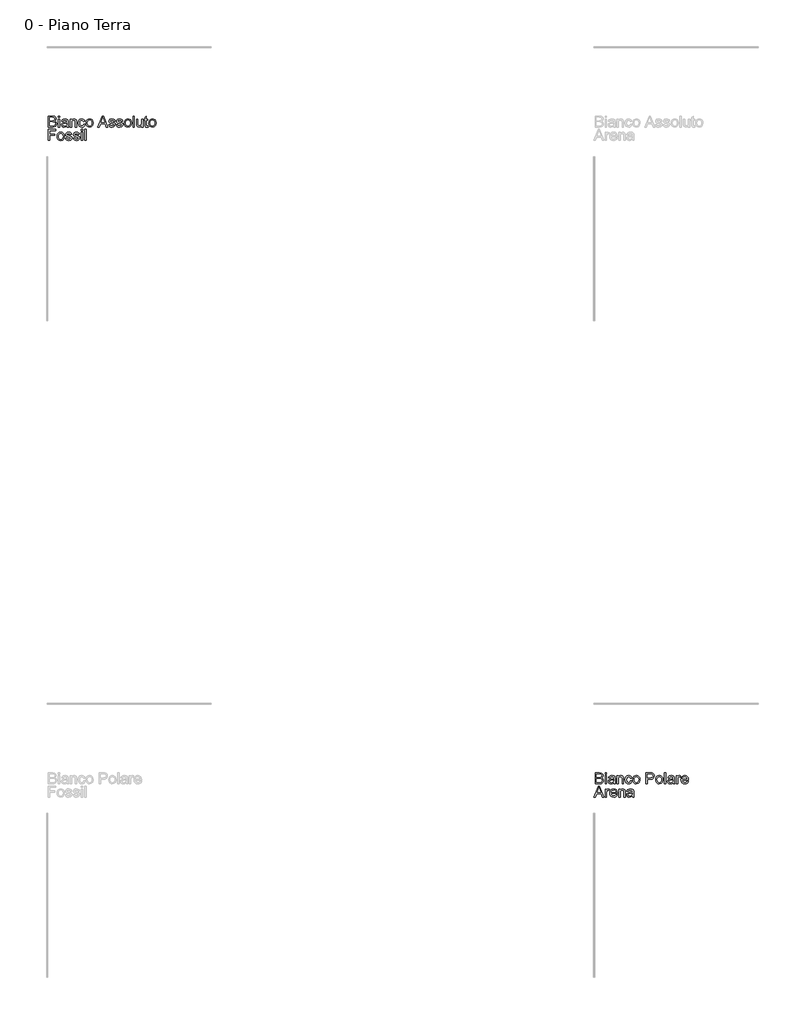
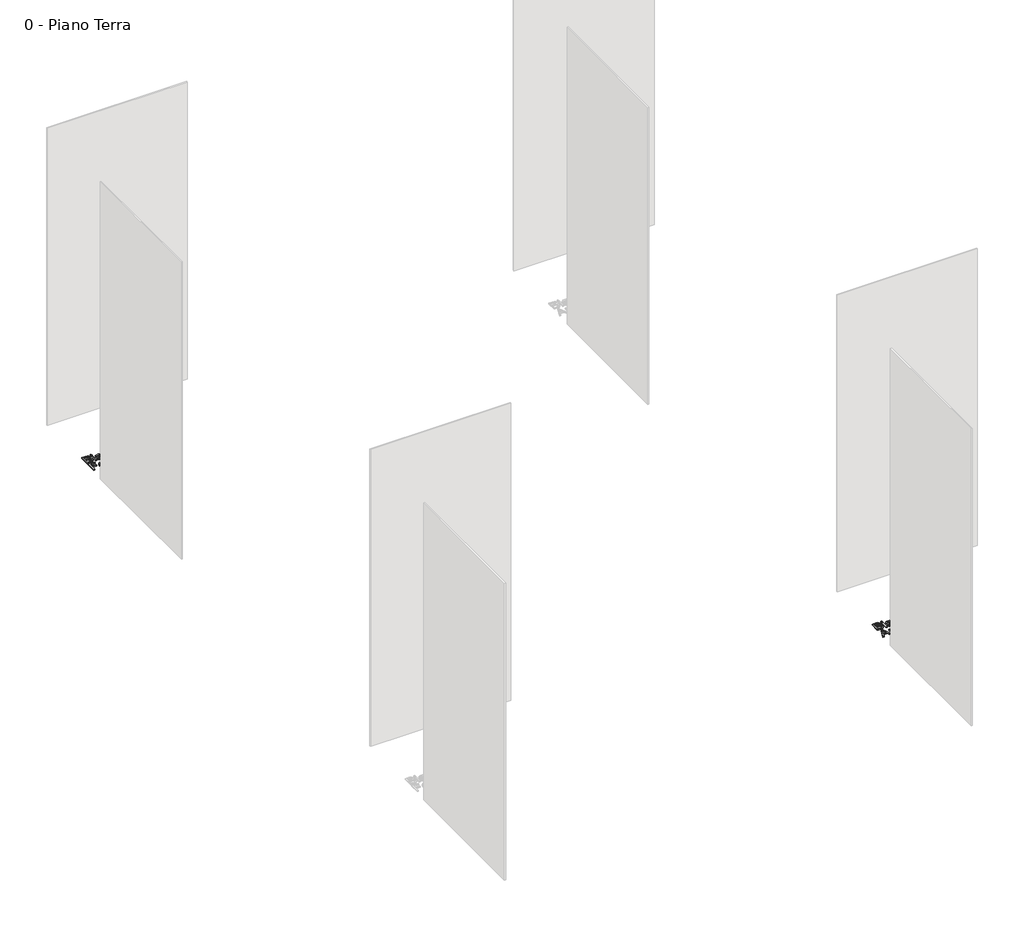
# One storey, part 14 of 35: 2 proxies.
"""IFC4 building model written with IfcOpenShell, lengths in millimetres."""

from ifc_helpers import new_model, si_unit, origin, origin_with_axes, place, context, project, spatial, polyline, outline, extrude, element, save

model = new_model("IFC4")

# Units and contexts
model_context = context("Model", 3, world=origin())
ifc_project = project(units=[si_unit("LENGTHUNIT", "METRE", prefix="MILLI")], contexts=[model_context])

# Site, building, storey
site = spatial("IfcSite", under=ifc_project)
building = spatial("IfcBuilding", under=site)
storey = spatial("IfcBuildingStorey", under=building, Name="0 - Piano Terra", Elevation=0.0)

# Proxies
placement = place(None, origin())
element("IfcBuildingElementProxy", 1, Name="Testo modello 1", ObjectType="Testo modello 1", at=placement, inside=storey, context=model_context, shape_type="SweptSolid", body=[
    extrude(outline(polyline([(-17268.2707509, -6273.7592352), (-17268.2707509, -6173.302925), (-17229.937447, -6173.302925), (-17211.1632025, -6176.2582437), (-17200.0776918, -6185.344929), (-17196.067778, -6198.1962733), (-17199.4400296, -6209.931709), (-17209.6303609, -6218.8221905), (-17197.2572631, -6228.1909187), (-17192.9285183, -6243.8136407), (-17195.883837, -6257.31491), (-17203.2046887, -6266.9288928), (-17214.130784, -6272.0301898), (-17230.2317526, -6273.7592352), (-17268.2707509, -6273.7592352)]), holes=[polyline([(-17255.7137122, -6214.113301), (-17232.7824011, -6214.113301), (-17219.3914965, -6213.0341805), (-17211.3348808, -6208.3866046), (-17208.6248168, -6200.2073616), (-17211.1509398, -6192.0158558), (-17218.3859524, -6187.1720762), (-17234.5237092, -6185.8599638), (-17255.7137122, -6185.8599638), (-17255.7137122, -6214.113301)]), polyline([(-17255.7137122, -6261.2021964), (-17229.9619725, -6261.2021964), (-17220.6422953, -6260.7116871), (-17212.7573579, -6257.9770976), (-17207.5334335, -6252.397554), (-17205.4855571, -6243.9362681), (-17207.8890528, -6234.1751325), (-17215.6758883, -6228.3503342), (-17231.1882458, -6226.6703398), (-17255.7137122, -6226.6703398), (-17255.7137122, -6261.2021964)])]), origin_with_axes(), (0.0, 0.0, 1.0), 10.0),
    extrude(outline(polyline([(-17177.2322199, -6185.8599638), (-17177.2322199, -6173.302925), (-17164.6751811, -6173.302925), (-17164.6751811, -6185.8599638), (-17177.2322199, -6185.8599638)])), origin_with_axes(), (0.0, 0.0, 1.0), 10.0),
    extrude(outline(polyline([(-17177.2322199, -6273.7592352), (-17177.2322199, -6199.9866324), (-17164.6751811, -6199.9866324), (-17164.6751811, -6273.7592352), (-17177.2322199, -6273.7592352)])), origin_with_axes(), (0.0, 0.0, 1.0), 10.0),
    extrude(outline(polyline([(-17098.7507275, -6264.3414561), (-17110.9276216, -6272.8517929), (-17124.3798399, -6275.328865), (-17134.8736738, -6273.8389429), (-17142.6145241, -6269.3691767), (-17147.387793, -6262.5817539), (-17148.9788826, -6254.1388621), (-17146.5753869, -6244.2060482), (-17140.2600793, -6236.9955611), (-17131.4676997, -6232.8752828), (-17120.6029181, -6230.9868218), (-17098.8243039, -6226.6703398), (-17098.7507275, -6223.8744366), (-17102.2088183, -6214.6038103), (-17116.0902323, -6210.9740413), (-17128.7944238, -6213.3897997), (-17134.852214, -6221.9614502), (-17147.4092528, -6220.3918204), (-17141.976862, -6208.1290872), (-17131.038504, -6200.9431256), (-17114.4715515, -6198.4170025), (-17099.2534996, -6200.64882), (-17090.6573237, -6206.252889), (-17086.8068254, -6214.7754886), (-17086.1936888, -6225.7628975), (-17086.1936888, -6241.3856196), (-17085.5560267, -6263.2010219), (-17083.0544291, -6273.7592352), (-17095.6114679, -6273.7592352), (-17098.7507275, -6264.3414561)]), holes=[polyline([(-17098.7507275, -6239.2273785), (-17119.0087627, -6243.0778768), (-17129.8122307, -6245.1134905), (-17134.7050612, -6248.4244284), (-17136.4218439, -6253.2559453), (-17132.6817102, -6260.0494995), (-17121.706564, -6262.7718262), (-17109.0023725, -6259.7674566), (-17100.8108667, -6252.4956558), (-17098.8243039, -6242.7835712), (-17098.7507275, -6239.2273785)])]), origin_with_axes(), (0.0, 0.0, 1.0), 10.0),
    extrude(outline(polyline([(-17068.9277605, -6273.7592352), (-17068.9277605, -6199.9866324), (-17056.3707217, -6199.9866324), (-17056.3707217, -6210.2873283), (-17046.7690016, -6201.384584), (-17033.6601399, -6198.4170025), (-17021.8020769, -6200.8082355), (-17013.708673, -6207.0867549), (-17009.9440139, -6216.320593), (-17009.2818263, -6228.4606988), (-17009.2818263, -6273.7592352), (-17021.8388651, -6273.7592352), (-17021.8388651, -6230.152956), (-17023.2858676, -6219.0429197), (-17028.3994273, -6213.1690705), (-17037.0201288, -6210.9740413), (-17050.6440253, -6215.90366), (-17054.9390476, -6223.0467021), (-17056.3707217, -6234.6165909), (-17056.3707217, -6273.7592352), (-17068.9277605, -6273.7592352)])), origin_with_axes(), (0.0, 0.0, 1.0), 10.0),
    extrude(outline(polyline([(-16944.9270026, -6247.0755278), (-16932.3699639, -6248.6451576), (-16935.8709742, -6259.8134419), (-16942.4499305, -6268.253268), (-16951.4875649, -6273.5599657), (-16962.3646092, -6275.328865), (-16975.7217913, -6272.8609899), (-16986.1665743, -6265.4573648), (-16992.9080119, -6253.442952), (-16995.1551577, -6237.1427139), (-16991.3169222, -6216.2838048), (-16979.6182748, -6202.8806374), (-16962.5362875, -6198.4170025), (-16951.9259576, -6199.9498442), (-16943.4432119, -6204.5483691), (-16937.3578306, -6211.9673227), (-16933.9395937, -6221.9614502), (-16946.4966325, -6223.5310801), (-16952.3214307, -6214.1255637), (-16962.4381856, -6210.9740413), (-16970.5530493, -6212.5252771), (-16976.9940499, -6217.1789843), (-16981.1971017, -6225.1865491), (-16982.5981189, -6236.7993574), (-16981.2277585, -6248.5685155), (-16977.1166772, -6256.6036714), (-16970.7921726, -6261.2297875), (-16962.7815421, -6262.7718262), (-16950.9480046, -6258.921328), (-16944.9270026, -6247.0755278)])), origin_with_axes(), (0.0, 0.0, 1.0), 10.0),
    extrude(outline(polyline([(-16924.5218146, -6236.8729338), (-16921.8056192, -6219.0858393), (-16913.657033, -6206.5839828), (-16903.5893291, -6200.4587476), (-16891.5350624, -6198.4170025), (-16878.3434272, -6200.9032717), (-16867.8066737, -6208.3620791), (-16860.8996892, -6220.2048137), (-16858.5973611, -6235.8428642), (-16862.6685885, -6258.185564), (-16874.5266515, -6270.8284419), (-16891.5350624, -6275.328865), (-16904.8861131, -6272.8517929), (-16915.4106039, -6265.4205766), (-16922.2440119, -6253.3295217), (-16924.5218146, -6236.8729338)]), holes=[polyline([(-16911.9647759, -6236.8484083), (-16910.511642, -6248.2128963), (-16906.1522403, -6256.3093658), (-16899.5916781, -6261.1562111), (-16891.5350624, -6262.7718262), (-16883.5152349, -6261.1470141), (-16876.9669354, -6256.2725776), (-16872.6075337, -6248.0688092), (-16871.1543999, -6236.4560008), (-16872.6167308, -6225.4226067), (-16877.0037236, -6217.4365017), (-16883.5612202, -6212.5896564), (-16891.5350624, -6210.9740413), (-16899.5916781, -6212.583525), (-16906.1522403, -6217.4119762), (-16910.511642, -6225.4900517), (-16911.9647759, -6236.8484083)])]), origin_with_axes(), (0.0, 0.0, 1.0), 10.0),
    extrude(outline(polyline([(-16815.3589639, -6273.7592352), (-16775.2598265, -6173.302925), (-16764.5667231, -6173.302925), (-16724.4675857, -6273.7592352), (-16737.7358629, -6273.7592352), (-16749.2383067, -6242.3666382), (-16790.6127684, -6242.3666382), (-16802.0906866, -6273.7592352), (-16815.3589639, -6273.7592352)]), holes=[polyline([(-16786.0019807, -6229.8095995), (-16753.8245689, -6229.8095995), (-16762.874466, -6205.1124549), (-16769.9132748, -6185.8599638), (-16776.1672687, -6202.9542138), (-16786.0019807, -6229.8095995)])]), origin_with_axes(), (0.0, 0.0, 1.0), 10.0),
    extrude(outline(polyline([(-16717.3306749, -6251.7844173), (-16704.7736362, -6250.2147875), (-16698.9611007, -6259.5344647), (-16685.6437724, -6262.7718262), (-16672.841479, -6259.8042448), (-16668.6721497, -6252.8390124), (-16672.8660045, -6247.1981551), (-16685.7909252, -6243.617437), (-16704.7000598, -6237.4738077), (-16712.9528792, -6230.3001088), (-16715.7610451, -6220.1710912), (-16713.5047022, -6210.8146258), (-16707.3488101, -6203.6654523), (-16699.3657708, -6199.9498442), (-16688.5623029, -6198.4170025), (-16673.2829374, -6200.8818119), (-16663.5708527, -6207.5527388), (-16659.2543706, -6218.8221905), (-16671.8114094, -6220.3918204), (-16676.5325617, -6213.4633761), (-16687.5812843, -6210.9740413), (-16699.5987628, -6213.3530115), (-16703.2040063, -6218.8957669), (-16701.7079529, -6222.5500614), (-16697.0235888, -6225.3214391), (-16686.2078582, -6227.994715), (-16667.7769702, -6233.9053523), (-16659.2175824, -6240.6008047), (-16656.115111, -6251.5146372), (-16659.7571427, -6263.5321157), (-16670.266305, -6272.250919), (-16685.8154507, -6275.328865), (-16698.4767227, -6273.8450743), (-16707.7166921, -6269.3937021), (-16713.8848469, -6262.0237995), (-16717.3306749, -6251.7844173)])), origin_with_axes(), (0.0, 0.0, 1.0), 10.0),
    extrude(outline(polyline([(-16646.6973319, -6251.7844173), (-16634.1402931, -6250.2147875), (-16628.3277576, -6259.5344647), (-16615.0104294, -6262.7718262), (-16602.2081359, -6259.8042448), (-16598.0388066, -6252.8390124), (-16602.2326614, -6247.1981551), (-16615.1575822, -6243.617437), (-16634.0667167, -6237.4738077), (-16642.3195361, -6230.3001088), (-16645.127702, -6220.1710912), (-16642.8713591, -6210.8146258), (-16636.7154671, -6203.6654523), (-16628.7324278, -6199.9498442), (-16617.9289599, -6198.4170025), (-16602.6495943, -6200.8818119), (-16592.9375096, -6207.5527388), (-16588.6210276, -6218.8221905), (-16601.1780663, -6220.3918204), (-16605.8992186, -6213.4633761), (-16616.9479412, -6210.9740413), (-16628.9654197, -6213.3530115), (-16632.5706633, -6218.8957669), (-16631.0746098, -6222.5500614), (-16626.3902457, -6225.3214391), (-16615.5745151, -6227.994715), (-16597.1436271, -6233.9053523), (-16588.5842394, -6240.6008047), (-16585.4817679, -6251.5146372), (-16589.1237996, -6263.5321157), (-16599.632962, -6272.250919), (-16615.1821076, -6275.328865), (-16627.8433796, -6273.8450743), (-16637.0833491, -6269.3937021), (-16643.2515039, -6262.0237995), (-16646.6973319, -6251.7844173)])), origin_with_axes(), (0.0, 0.0, 1.0), 10.0),
    extrude(outline(polyline([(-16574.494359, -6236.8729338), (-16571.7781636, -6219.0858393), (-16563.6295774, -6206.5839828), (-16553.5618734, -6200.4587476), (-16541.5076067, -6198.4170025), (-16528.3159715, -6200.9032717), (-16517.779218, -6208.3620791), (-16510.8722336, -6220.2048137), (-16508.5699054, -6235.8428642), (-16512.6411328, -6258.185564), (-16524.4991958, -6270.8284419), (-16541.5076067, -6275.328865), (-16554.8586575, -6272.8517929), (-16565.3831482, -6265.4205766), (-16572.2165563, -6253.3295217), (-16574.494359, -6236.8729338)]), holes=[polyline([(-16561.9373202, -6236.8484083), (-16560.4841863, -6248.2128963), (-16556.1247847, -6256.3093658), (-16549.5642224, -6261.1562111), (-16541.5076067, -6262.7718262), (-16533.4877792, -6261.1470141), (-16526.9394797, -6256.2725776), (-16522.5800781, -6248.0688092), (-16521.1269442, -6236.4560008), (-16522.5892751, -6225.4226067), (-16526.9762679, -6217.4365017), (-16533.5337645, -6212.5896564), (-16541.5076067, -6210.9740413), (-16549.5642224, -6212.583525), (-16556.1247847, -6217.4119762), (-16560.4841863, -6225.4900517), (-16561.9373202, -6236.8484083)])]), origin_with_axes(), (0.0, 0.0, 1.0), 10.0),
    extrude(outline(polyline([(-16494.4432368, -6273.7592352), (-16494.4432368, -6173.302925), (-16481.886198, -6173.302925), (-16481.886198, -6273.7592352), (-16494.4432368, -6273.7592352)])), origin_with_axes(), (0.0, 0.0, 1.0), 10.0),
    extrude(outline(polyline([(-16415.9617445, -6273.7592352), (-16415.9617445, -6261.0795691), (-16425.7964565, -6271.766541), (-16438.6232754, -6275.328865), (-16450.4322874, -6272.8272674), (-16458.5747423, -6266.548748), (-16462.3148759, -6257.3026472), (-16463.0506399, -6245.6285253), (-16463.0506399, -6199.9866324), (-16450.4936011, -6199.9866324), (-16450.4936011, -6239.7178879), (-16449.7333117, -6252.5201813), (-16444.7669047, -6260.0372367), (-16435.4104393, -6262.7718262), (-16424.9258024, -6259.9759231), (-16417.9973582, -6252.3607658), (-16415.9617445, -6238.3689872), (-16415.9617445, -6199.9866324), (-16403.4047057, -6199.9866324), (-16403.4047057, -6273.7592352), (-16415.9617445, -6273.7592352)])), origin_with_axes(), (0.0, 0.0, 1.0), 10.0),
    extrude(outline(polyline([(-16359.45507, -6263.286861), (-16357.8854402, -6274.1271171), (-16367.2786938, -6275.328865), (-16377.8001189, -6273.2442004), (-16383.0485687, -6267.7750214), (-16384.5691476, -6253.5257254), (-16384.5691476, -6212.5436712), (-16393.9869267, -6212.5436712), (-16393.9869267, -6199.9866324), (-16384.5691476, -6199.9866324), (-16384.5691476, -6182.0585165), (-16372.0121088, -6174.6763511), (-16372.0121088, -6199.9866324), (-16359.45507, -6199.9866324), (-16359.45507, -6212.5436712), (-16372.0121088, -6212.5436712), (-16372.0121088, -6253.1578434), (-16371.3499212, -6259.6325665), (-16369.2039429, -6261.9256976), (-16364.924249, -6262.7718262), (-16359.45507, -6263.286861)])), origin_with_axes(), (0.0, 0.0, 1.0), 10.0),
    extrude(outline(polyline([(-16350.037291, -6236.8729338), (-16347.3210956, -6219.0858393), (-16339.1725094, -6206.5839828), (-16329.1048054, -6200.4587476), (-16317.0505387, -6198.4170025), (-16303.8589035, -6200.9032717), (-16293.32215, -6208.3620791), (-16286.4151656, -6220.2048137), (-16284.1128374, -6235.8428642), (-16288.1840648, -6258.185564), (-16300.0421278, -6270.8284419), (-16317.0505387, -6275.328865), (-16330.4015895, -6272.8517929), (-16340.9260802, -6265.4205766), (-16347.7594883, -6253.3295217), (-16350.037291, -6236.8729338)]), holes=[polyline([(-16337.4802522, -6236.8484083), (-16336.0271183, -6248.2128963), (-16331.6677167, -6256.3093658), (-16325.1071544, -6261.1562111), (-16317.0505387, -6262.7718262), (-16309.0307112, -6261.1470141), (-16302.4824117, -6256.2725776), (-16298.1230101, -6248.0688092), (-16296.6698762, -6236.4560008), (-16298.1322071, -6225.4226067), (-16302.5191999, -6217.4365017), (-16309.0766965, -6212.5896564), (-16317.0505387, -6210.9740413), (-16325.1071544, -6212.583525), (-16331.6677167, -6217.4119762), (-16336.0271183, -6225.4900517), (-16337.4802522, -6236.8484083)])]), origin_with_axes(), (0.0, 0.0, 1.0), 10.0),
    extrude(outline(polyline([(-17268.2707509, -6395.734053), (-17268.2707509, -6295.2777428), (-17200.7766675, -6295.2777428), (-17200.7766675, -6307.8347816), (-17255.7137122, -6307.8347816), (-17255.7137122, -6337.6577487), (-17208.6248168, -6337.6577487), (-17208.6248168, -6350.2147875), (-17255.7137122, -6350.2147875), (-17255.7137122, -6395.734053), (-17268.2707509, -6395.734053)])), origin_with_axes(), (0.0, 0.0, 1.0), 10.0),
    extrude(outline(polyline([(-17188.2196288, -6358.8477516), (-17185.5034334, -6341.0606571), (-17177.3548472, -6328.5588007), (-17167.2871432, -6322.4335655), (-17155.2328765, -6320.3918204), (-17142.0412413, -6322.8780895), (-17131.5044879, -6330.336897), (-17124.5975034, -6342.1796315), (-17122.2951752, -6357.817682), (-17126.3664027, -6380.1603819), (-17138.2244656, -6392.8032598), (-17155.2328765, -6397.3036828), (-17168.5839273, -6394.8266107), (-17179.108418, -6387.3953944), (-17185.9418261, -6375.3043395), (-17188.2196288, -6358.8477516)]), holes=[polyline([(-17175.66259, -6358.8232261), (-17174.2094561, -6370.1877141), (-17169.8500545, -6378.2841837), (-17163.2894922, -6383.131029), (-17155.2328765, -6384.7466441), (-17147.213049, -6383.1218319), (-17140.6647495, -6378.2473955), (-17136.3053479, -6370.043627), (-17134.852214, -6358.4308187), (-17136.3145449, -6347.3974245), (-17140.7015377, -6339.4113195), (-17147.2590343, -6334.5644742), (-17155.2328765, -6332.9488592), (-17163.2894922, -6334.5583429), (-17169.8500545, -6339.3867941), (-17174.2094561, -6347.4648695), (-17175.66259, -6358.8232261)])]), origin_with_axes(), (0.0, 0.0, 1.0), 10.0),
    extrude(outline(polyline([(-17112.8773962, -6373.7592352), (-17100.3203574, -6372.1896053), (-17094.5078219, -6381.5092825), (-17081.1904936, -6384.7466441), (-17068.3882002, -6381.7790626), (-17064.2188709, -6374.8138302), (-17068.4127257, -6369.1729729), (-17081.3376464, -6365.5922549), (-17100.246781, -6359.4486255), (-17108.4996004, -6352.2749266), (-17111.3077663, -6342.145909), (-17109.0514234, -6332.7894436), (-17102.8955314, -6325.6402702), (-17094.9124921, -6321.924662), (-17084.1090241, -6320.3918204), (-17068.8296586, -6322.8566298), (-17059.1175739, -6329.5275566), (-17054.8010919, -6340.7970084), (-17067.3581306, -6342.3666382), (-17072.0792829, -6335.438194), (-17083.1280055, -6332.9488592), (-17095.145484, -6335.3278294), (-17098.7507275, -6340.8705848), (-17097.2546741, -6344.5248793), (-17092.57031, -6347.296257), (-17081.7545794, -6349.9695328), (-17063.3236914, -6355.8801702), (-17054.7643037, -6362.5756225), (-17051.6618322, -6373.489455), (-17055.3038639, -6385.5069335), (-17065.8130262, -6394.2257368), (-17081.3621719, -6397.3036828), (-17094.0234439, -6395.8198921), (-17103.2634134, -6391.36852), (-17109.4315681, -6383.9986174), (-17112.8773962, -6373.7592352)])), origin_with_axes(), (0.0, 0.0, 1.0), 10.0),
    extrude(outline(polyline([(-17042.2440531, -6373.7592352), (-17029.6870143, -6372.1896053), (-17023.8744788, -6381.5092825), (-17010.5571506, -6384.7466441), (-16997.7548571, -6381.7790626), (-16993.5855279, -6374.8138302), (-16997.7793826, -6369.1729729), (-17010.7043034, -6365.5922549), (-17029.6134379, -6359.4486255), (-17037.8662573, -6352.2749266), (-17040.6744232, -6342.145909), (-17038.4180803, -6332.7894436), (-17032.2621883, -6325.6402702), (-17024.279149, -6321.924662), (-17013.4756811, -6320.3918204), (-16998.1963155, -6322.8566298), (-16988.4842309, -6329.5275566), (-16984.1677488, -6340.7970084), (-16996.7247876, -6342.3666382), (-17001.4459398, -6335.438194), (-17012.4946624, -6332.9488592), (-17024.5121409, -6335.3278294), (-17028.1173845, -6340.8705848), (-17026.621331, -6344.5248793), (-17021.936967, -6347.296257), (-17011.1212363, -6349.9695328), (-16992.6903483, -6355.8801702), (-16984.1309606, -6362.5756225), (-16981.0284891, -6373.489455), (-16984.6705208, -6385.5069335), (-16995.1796832, -6394.2257368), (-17010.7288288, -6397.3036828), (-17023.3901008, -6395.8198921), (-17032.6300703, -6391.36852), (-17038.7982251, -6383.9986174), (-17042.2440531, -6373.7592352)])), origin_with_axes(), (0.0, 0.0, 1.0), 10.0),
    extrude(outline(polyline([(-16966.9018205, -6307.8347816), (-16966.9018205, -6295.2777428), (-16954.3447817, -6295.2777428), (-16954.3447817, -6307.8347816), (-16966.9018205, -6307.8347816)])), origin_with_axes(), (0.0, 0.0, 1.0), 10.0),
    extrude(outline(polyline([(-16966.9018205, -6395.734053), (-16966.9018205, -6321.9614502), (-16954.3447817, -6321.9614502), (-16954.3447817, -6395.734053), (-16966.9018205, -6395.734053)])), origin_with_axes(), (0.0, 0.0, 1.0), 10.0),
    extrude(outline(polyline([(-16935.5092236, -6395.734053), (-16935.5092236, -6295.2777428), (-16922.9521848, -6295.2777428), (-16922.9521848, -6395.734053), (-16935.5092236, -6395.734053)])), origin_with_axes(), (0.0, 0.0, 1.0), 10.0),
])
element("IfcBuildingElementProxy", 2, Name="Testo modello 1", ObjectType="Testo modello 1", at=placement, inside=storey, context=model_context, shape_type="SweptSolid", body=[
    extrude(outline(polyline([(-12268.2707509, -12273.7592352), (-12268.2707509, -12173.302925), (-12229.937447, -12173.302925), (-12211.1632025, -12176.2582437), (-12200.0776918, -12185.344929), (-12196.067778, -12198.1962733), (-12199.4400296, -12209.931709), (-12209.6303609, -12218.8221905), (-12197.2572631, -12228.1909187), (-12192.9285183, -12243.8136407), (-12195.883837, -12257.31491), (-12203.2046887, -12266.9288928), (-12214.130784, -12272.0301898), (-12230.2317526, -12273.7592352), (-12268.2707509, -12273.7592352)]), holes=[polyline([(-12255.7137122, -12214.113301), (-12232.7824011, -12214.113301), (-12219.3914965, -12213.0341805), (-12211.3348808, -12208.3866046), (-12208.6248168, -12200.2073616), (-12211.1509398, -12192.0158558), (-12218.3859524, -12187.1720762), (-12234.5237092, -12185.8599638), (-12255.7137122, -12185.8599638), (-12255.7137122, -12214.113301)]), polyline([(-12255.7137122, -12261.2021964), (-12229.9619725, -12261.2021964), (-12220.6422953, -12260.7116871), (-12212.7573579, -12257.9770976), (-12207.5334335, -12252.397554), (-12205.4855571, -12243.9362681), (-12207.8890528, -12234.1751325), (-12215.6758883, -12228.3503342), (-12231.1882458, -12226.6703398), (-12255.7137122, -12226.6703398), (-12255.7137122, -12261.2021964)])]), origin_with_axes(), (0.0, 0.0, 1.0), 10.0),
    extrude(outline(polyline([(-12177.2322199, -12185.8599638), (-12177.2322199, -12173.302925), (-12164.6751811, -12173.302925), (-12164.6751811, -12185.8599638), (-12177.2322199, -12185.8599638)])), origin_with_axes(), (0.0, 0.0, 1.0), 10.0),
    extrude(outline(polyline([(-12177.2322199, -12273.7592352), (-12177.2322199, -12199.9866324), (-12164.6751811, -12199.9866324), (-12164.6751811, -12273.7592352), (-12177.2322199, -12273.7592352)])), origin_with_axes(), (0.0, 0.0, 1.0), 10.0),
    extrude(outline(polyline([(-12098.7507275, -12264.3414561), (-12110.9276216, -12272.8517929), (-12124.3798399, -12275.328865), (-12134.8736738, -12273.8389429), (-12142.6145241, -12269.3691767), (-12147.387793, -12262.5817539), (-12148.9788826, -12254.1388621), (-12146.5753869, -12244.2060482), (-12140.2600793, -12236.9955611), (-12131.4676997, -12232.8752828), (-12120.6029181, -12230.9868218), (-12098.8243039, -12226.6703398), (-12098.7507275, -12223.8744366), (-12102.2088183, -12214.6038103), (-12116.0902323, -12210.9740413), (-12128.7944238, -12213.3897997), (-12134.852214, -12221.9614502), (-12147.4092528, -12220.3918204), (-12141.976862, -12208.1290872), (-12131.038504, -12200.9431256), (-12114.4715515, -12198.4170025), (-12099.2534996, -12200.64882), (-12090.6573237, -12206.252889), (-12086.8068254, -12214.7754886), (-12086.1936888, -12225.7628975), (-12086.1936888, -12241.3856196), (-12085.5560267, -12263.2010219), (-12083.0544291, -12273.7592352), (-12095.6114679, -12273.7592352), (-12098.7507275, -12264.3414561)]), holes=[polyline([(-12098.7507275, -12239.2273785), (-12119.0087627, -12243.0778768), (-12129.8122307, -12245.1134905), (-12134.7050612, -12248.4244284), (-12136.4218439, -12253.2559453), (-12132.6817102, -12260.0494995), (-12121.706564, -12262.7718262), (-12109.0023725, -12259.7674566), (-12100.8108667, -12252.4956558), (-12098.8243039, -12242.7835712), (-12098.7507275, -12239.2273785)])]), origin_with_axes(), (0.0, 0.0, 1.0), 10.0),
    extrude(outline(polyline([(-12068.9277605, -12273.7592352), (-12068.9277605, -12199.9866324), (-12056.3707217, -12199.9866324), (-12056.3707217, -12210.2873283), (-12046.7690016, -12201.384584), (-12033.6601399, -12198.4170025), (-12021.8020769, -12200.8082355), (-12013.708673, -12207.0867549), (-12009.9440139, -12216.320593), (-12009.2818263, -12228.4606988), (-12009.2818263, -12273.7592352), (-12021.8388651, -12273.7592352), (-12021.8388651, -12230.152956), (-12023.2858676, -12219.0429197), (-12028.3994273, -12213.1690705), (-12037.0201288, -12210.9740413), (-12050.6440253, -12215.90366), (-12054.9390476, -12223.0467021), (-12056.3707217, -12234.6165909), (-12056.3707217, -12273.7592352), (-12068.9277605, -12273.7592352)])), origin_with_axes(), (0.0, 0.0, 1.0), 10.0),
    extrude(outline(polyline([(-11944.9270026, -12247.0755278), (-11932.3699639, -12248.6451576), (-11935.8709742, -12259.8134419), (-11942.4499305, -12268.253268), (-11951.4875649, -12273.5599657), (-11962.3646092, -12275.328865), (-11975.7217913, -12272.8609899), (-11986.1665743, -12265.4573648), (-11992.9080119, -12253.442952), (-11995.1551577, -12237.1427139), (-11991.3169222, -12216.2838048), (-11979.6182748, -12202.8806374), (-11962.5362875, -12198.4170025), (-11951.9259576, -12199.9498442), (-11943.4432119, -12204.5483691), (-11937.3578306, -12211.9673227), (-11933.9395937, -12221.9614502), (-11946.4966325, -12223.5310801), (-11952.3214307, -12214.1255637), (-11962.4381856, -12210.9740413), (-11970.5530493, -12212.5252771), (-11976.9940499, -12217.1789843), (-11981.1971017, -12225.1865491), (-11982.5981189, -12236.7993574), (-11981.2277585, -12248.5685155), (-11977.1166772, -12256.6036714), (-11970.7921726, -12261.2297875), (-11962.7815421, -12262.7718262), (-11950.9480046, -12258.921328), (-11944.9270026, -12247.0755278)])), origin_with_axes(), (0.0, 0.0, 1.0), 10.0),
    extrude(outline(polyline([(-11924.5218146, -12236.8729338), (-11921.8056192, -12219.0858393), (-11913.657033, -12206.5839828), (-11903.5893291, -12200.4587476), (-11891.5350624, -12198.4170025), (-11878.3434272, -12200.9032717), (-11867.8066737, -12208.3620791), (-11860.8996892, -12220.2048137), (-11858.5973611, -12235.8428642), (-11862.6685885, -12258.185564), (-11874.5266515, -12270.8284419), (-11891.5350624, -12275.328865), (-11904.8861131, -12272.8517929), (-11915.4106039, -12265.4205766), (-11922.2440119, -12253.3295217), (-11924.5218146, -12236.8729338)]), holes=[polyline([(-11911.9647759, -12236.8484083), (-11910.511642, -12248.2128963), (-11906.1522403, -12256.3093658), (-11899.5916781, -12261.1562111), (-11891.5350624, -12262.7718262), (-11883.5152349, -12261.1470141), (-11876.9669354, -12256.2725776), (-11872.6075337, -12248.0688092), (-11871.1543999, -12236.4560008), (-11872.6167308, -12225.4226067), (-11877.0037236, -12217.4365017), (-11883.5612202, -12212.5896564), (-11891.5350624, -12210.9740413), (-11899.5916781, -12212.583525), (-11906.1522403, -12217.4119762), (-11910.511642, -12225.4900517), (-11911.9647759, -12236.8484083)])]), origin_with_axes(), (0.0, 0.0, 1.0), 10.0),
    extrude(outline(polyline([(-11803.6603165, -12273.7592352), (-11803.6603165, -12173.302925), (-11766.4306586, -12173.302925), (-11751.4210732, -12174.2594182), (-11739.2196537, -12178.956045), (-11731.3101908, -12188.6681297), (-11728.3180839, -12202.3656026), (-11730.3383692, -12214.2052715), (-11736.399225, -12224.0706403), (-11747.7330562, -12230.7293044), (-11765.5722672, -12232.9488592), (-11791.1032777, -12232.9488592), (-11791.1032777, -12273.7592352), (-11803.6603165, -12273.7592352)]), holes=[polyline([(-11791.1032777, -12220.3918204), (-11764.8365033, -12220.3918204), (-11746.3443016, -12215.7810327), (-11742.2424174, -12210.232146), (-11740.8751226, -12202.807061), (-11744.1002215, -12192.4082633), (-11752.5737701, -12186.7183551), (-11765.1308089, -12185.8599638), (-11791.1032777, -12185.8599638), (-11791.1032777, -12220.3918204)])]), origin_with_axes(), (0.0, 0.0, 1.0), 10.0),
    extrude(outline(polyline([(-11715.7610451, -12236.8729338), (-11713.0448497, -12219.0858393), (-11704.8962635, -12206.5839828), (-11694.8285596, -12200.4587476), (-11682.7742929, -12198.4170025), (-11669.5826577, -12200.9032717), (-11659.0459042, -12208.3620791), (-11652.1389197, -12220.2048137), (-11649.8365916, -12235.8428642), (-11653.907819, -12258.185564), (-11665.765882, -12270.8284419), (-11682.7742929, -12275.328865), (-11696.1253436, -12272.8517929), (-11706.6498344, -12265.4205766), (-11713.4832424, -12253.3295217), (-11715.7610451, -12236.8729338)]), holes=[polyline([(-11703.2040063, -12236.8484083), (-11701.7508725, -12248.2128963), (-11697.3914708, -12256.3093658), (-11690.8309086, -12261.1562111), (-11682.7742929, -12262.7718262), (-11674.7544654, -12261.1470141), (-11668.2061659, -12256.2725776), (-11663.8467642, -12248.0688092), (-11662.3936303, -12236.4560008), (-11663.8559613, -12225.4226067), (-11668.2429541, -12217.4365017), (-11674.8004506, -12212.5896564), (-11682.7742929, -12210.9740413), (-11690.8309086, -12212.583525), (-11697.3914708, -12217.4119762), (-11701.7508725, -12225.4900517), (-11703.2040063, -12236.8484083)])]), origin_with_axes(), (0.0, 0.0, 1.0), 10.0),
    extrude(outline(polyline([(-11635.709923, -12273.7592352), (-11635.709923, -12173.302925), (-11623.1528842, -12173.302925), (-11623.1528842, -12273.7592352), (-11635.709923, -12273.7592352)])), origin_with_axes(), (0.0, 0.0, 1.0), 10.0),
    extrude(outline(polyline([(-11557.2284306, -12264.3414561), (-11569.4053247, -12272.8517929), (-11582.857543, -12275.328865), (-11593.3513769, -12273.8389429), (-11601.0922272, -12269.3691767), (-11605.8654961, -12262.5817539), (-11607.4565857, -12254.1388621), (-11605.05309, -12244.2060482), (-11598.7377824, -12236.9955611), (-11589.9454028, -12232.8752828), (-11579.0806212, -12230.9868218), (-11557.302007, -12226.6703398), (-11557.2284306, -12223.8744366), (-11560.6865214, -12214.6038103), (-11574.5679354, -12210.9740413), (-11587.2721269, -12213.3897997), (-11593.3299171, -12221.9614502), (-11605.8869559, -12220.3918204), (-11600.4545651, -12208.1290872), (-11589.5162071, -12200.9431256), (-11572.9492546, -12198.4170025), (-11557.7312027, -12200.64882), (-11549.1350268, -12206.252889), (-11545.2845285, -12214.7754886), (-11544.6713919, -12225.7628975), (-11544.6713919, -12241.3856196), (-11544.0337298, -12263.2010219), (-11541.5321322, -12273.7592352), (-11554.089171, -12273.7592352), (-11557.2284306, -12264.3414561)]), holes=[polyline([(-11557.2284306, -12239.2273785), (-11577.4864658, -12243.0778768), (-11588.2899338, -12245.1134905), (-11593.1827643, -12248.4244284), (-11594.899547, -12253.2559453), (-11591.1594133, -12260.0494995), (-11580.1842671, -12262.7718262), (-11567.4800756, -12259.7674566), (-11559.2885698, -12252.4956558), (-11557.302007, -12242.7835712), (-11557.2284306, -12239.2273785)])]), origin_with_axes(), (0.0, 0.0, 1.0), 10.0),
    extrude(outline(polyline([(-11527.4054636, -12273.7592352), (-11527.4054636, -12199.9866324), (-11516.4180546, -12199.9866324), (-11516.4180546, -12210.9004649), (-11508.6189564, -12200.8450237), (-11500.7708071, -12198.4170025), (-11488.1647174, -12202.2920262), (-11492.3585722, -12213.5492153), (-11501.18774, -12210.9740413), (-11508.2878626, -12213.4511134), (-11512.8128111, -12220.318244), (-11514.8484248, -12234.9844729), (-11514.8484248, -12273.7592352), (-11527.4054636, -12273.7592352)])), origin_with_axes(), (0.0, 0.0, 1.0), 10.0),
    extrude(outline(polyline([(-11428.6659361, -12251.7844173), (-11416.354152, -12253.3540472), (-11420.7901957, -12262.6308048), (-11427.8688584, -12269.5653804), (-11437.4307246, -12273.8879938), (-11449.3163787, -12275.328865), (-11464.0500526, -12272.8425958), (-11475.3869495, -12265.3837884), (-11482.6158307, -12253.4368206), (-11485.0254577, -12237.4860704), (-11482.5913052, -12220.9988257), (-11475.2888476, -12208.6686475), (-11464.1052349, -12200.9799138), (-11450.0276173, -12198.4170025), (-11436.3883923, -12200.9737824), (-11425.4898882, -12208.644122), (-11418.3437804, -12220.9497747), (-11415.9617445, -12237.412494), (-11416.0353209, -12240.7970084), (-11472.468419, -12240.7970084), (-11470.2948495, -12250.1963934), (-11465.2456691, -12257.1064435), (-11457.9585399, -12261.3554805), (-11449.0711241, -12262.7718262), (-11436.75934, -12260.1476013), (-11428.6659361, -12251.7844173)]), holes=[polyline([(-11472.468419, -12228.2399696), (-11428.5187833, -12228.2399696), (-11433.5465039, -12216.8601532), (-11440.8673556, -12212.4455693), (-11450.0766682, -12210.9740413), (-11465.5399747, -12215.6706681), (-11470.4052141, -12221.1613069), (-11472.468419, -12228.2399696)])]), origin_with_axes(), (0.0, 0.0, 1.0), 10.0),
    extrude(outline(polyline([(-12279.9693984, -12395.734053), (-12239.8702609, -12295.2777428), (-12229.1771576, -12295.2777428), (-12189.0780201, -12395.734053), (-12202.3462974, -12395.734053), (-12213.8487411, -12364.3414561), (-12255.2232028, -12364.3414561), (-12266.7011211, -12395.734053), (-12279.9693984, -12395.734053)]), holes=[polyline([(-12250.6124152, -12351.7844173), (-12218.4350033, -12351.7844173), (-12227.4849004, -12327.0872727), (-12234.5237092, -12307.8347816), (-12240.7777032, -12324.9290317), (-12250.6124152, -12351.7844173)])]), origin_with_axes(), (0.0, 0.0, 1.0), 10.0),
    extrude(outline(polyline([(-12177.2322199, -12395.734053), (-12177.2322199, -12321.9614502), (-12166.2448109, -12321.9614502), (-12166.2448109, -12332.8752828), (-12158.4457126, -12322.8198416), (-12150.5975634, -12320.3918204), (-12137.9914737, -12324.2668441), (-12142.1853284, -12335.5240331), (-12151.0144963, -12332.9488592), (-12158.1146188, -12335.4259313), (-12162.6395674, -12342.2930618), (-12164.6751811, -12356.9592907), (-12164.6751811, -12395.734053), (-12177.2322199, -12395.734053)])), origin_with_axes(), (0.0, 0.0, 1.0), 10.0),
    extrude(outline(polyline([(-12078.4926923, -12373.7592352), (-12066.1809082, -12375.328865), (-12070.616952, -12384.6056226), (-12077.6956147, -12391.5401983), (-12087.2574809, -12395.8628117), (-12099.143135, -12397.3036828), (-12113.8768089, -12394.8174137), (-12125.2137057, -12387.3586062), (-12132.4425869, -12375.4116384), (-12134.852214, -12359.4608883), (-12132.4180615, -12342.9736435), (-12125.1156039, -12330.6434653), (-12113.9319912, -12322.9547316), (-12099.8543735, -12320.3918204), (-12086.2151486, -12322.9486003), (-12075.3166445, -12330.6189399), (-12068.1705367, -12342.9245926), (-12065.7885008, -12359.3873119), (-12065.8620772, -12362.7718262), (-12122.2951752, -12362.7718262), (-12120.1216058, -12372.1712112), (-12115.0724254, -12379.0812613), (-12107.7852962, -12383.3302984), (-12098.8978803, -12384.7466441), (-12086.5860962, -12382.1224192), (-12078.4926923, -12373.7592352)]), holes=[polyline([(-12122.2951752, -12350.2147875), (-12078.3455395, -12350.2147875), (-12083.3732601, -12338.8349711), (-12090.6941119, -12334.4203871), (-12099.9034245, -12332.9488592), (-12115.366731, -12337.645486), (-12120.2319704, -12343.1361247), (-12122.2951752, -12350.2147875)])]), origin_with_axes(), (0.0, 0.0, 1.0), 10.0),
    extrude(outline(polyline([(-12053.231462, -12395.734053), (-12053.231462, -12321.9614502), (-12040.6744232, -12321.9614502), (-12040.6744232, -12332.2621461), (-12031.0727032, -12323.3594018), (-12017.9638414, -12320.3918204), (-12006.1057784, -12322.7830534), (-11998.0123745, -12329.0615727), (-11994.2477155, -12338.2954108), (-11993.5855279, -12350.4355167), (-11993.5855279, -12395.734053), (-12006.1425666, -12395.734053), (-12006.1425666, -12352.1277738), (-12007.5895691, -12341.0177376), (-12012.7031289, -12335.1438884), (-12021.3238303, -12332.9488592), (-12034.9477269, -12337.8784779), (-12039.2427491, -12345.02152), (-12040.6744232, -12356.5914087), (-12040.6744232, -12395.734053), (-12053.231462, -12395.734053)])), origin_with_axes(), (0.0, 0.0, 1.0), 10.0),
    extrude(outline(polyline([(-11929.2307042, -12386.3162739), (-11941.4075982, -12394.8266107), (-11954.8598165, -12397.3036828), (-11965.3536504, -12395.8137608), (-11973.0945007, -12391.3439945), (-11977.8677696, -12384.5565717), (-11979.4588592, -12376.1136799), (-11977.0553635, -12366.1808661), (-11970.740056, -12358.9703789), (-11961.9476763, -12354.8501006), (-11951.0828947, -12352.9616397), (-11929.3042806, -12348.6451576), (-11929.2307042, -12345.8492545), (-11932.6887949, -12336.5786282), (-11946.5702089, -12332.9488592), (-11959.2744004, -12335.3646176), (-11965.3321906, -12343.9362681), (-11977.8892294, -12342.3666382), (-11972.4568386, -12330.1039051), (-11961.5184806, -12322.9179434), (-11944.9515281, -12320.3918204), (-11929.7334762, -12322.6236378), (-11921.1373003, -12328.2277069), (-11917.2868021, -12336.7503064), (-11916.6736654, -12347.7377154), (-11916.6736654, -12363.3604374), (-11916.0360033, -12385.1758397), (-11913.5344057, -12395.734053), (-11926.0914445, -12395.734053), (-11929.2307042, -12386.3162739)]), holes=[polyline([(-11929.2307042, -12361.2021964), (-11949.4887394, -12365.0526946), (-11960.2922073, -12367.0883083), (-11965.1850378, -12370.3992463), (-11966.9018205, -12375.2307631), (-11963.1616869, -12382.0243173), (-11952.1865407, -12384.7466441), (-11939.4823491, -12381.7422744), (-11931.2908433, -12374.4704737), (-11929.3042806, -12364.758389), (-11929.2307042, -12361.2021964)])]), origin_with_axes(), (0.0, 0.0, 1.0), 10.0),
])

save(model, "model.ifc")
